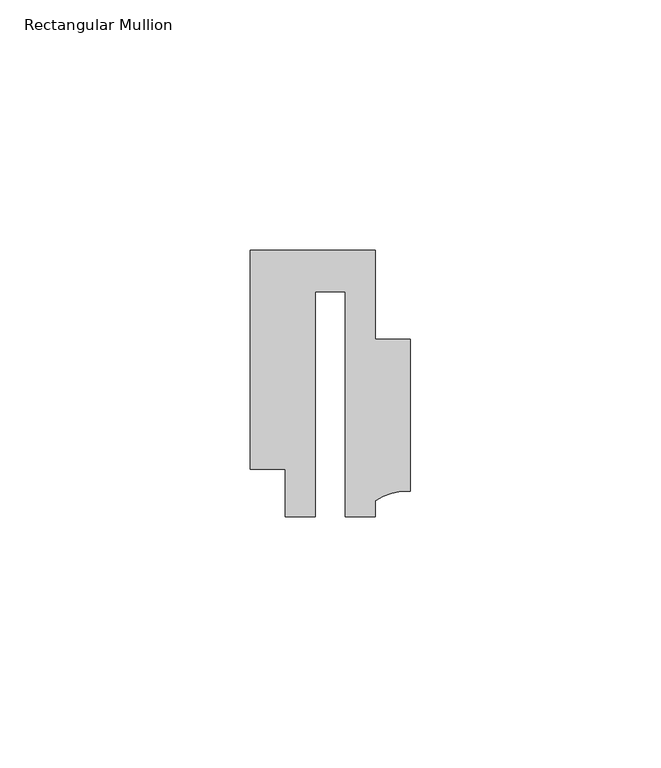
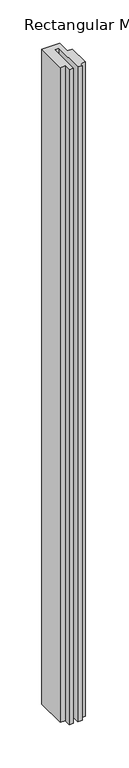
"""IFC4 building model written with IfcOpenShell, lengths in millimetres: member geometry, Rectangular Mullion."""

import ifcopenshell
import ifcopenshell.guid

model = None  # the IFC model being written
_history = None  # IfcOwnerHistory: only IFC2X3 demands one
_inside = {}  # id of a spatial element -> (the spatial element, [elements in it])
_under = {}  # id of a project, library or spatial element -> (it, [spatial elements below it])
_declared = {}  # id of a project -> (the project, [libraries it declares])
_typed = {}  # id of a type object -> (the type object, [elements of that type])
_made_of = {}  # id of a material, layer set ... -> (it, [elements and type objects made of it])


def new_model(schema):
    """Start an empty IFC model of exactly this schema.

    Asked for "IFC4X3", IfcOpenShell would pick the latest addendum, in which some entities
    have other attributes; the version numbers below select the first issue.
    IFC2X3 requires an IfcOwnerHistory on every rooted entity: one is made here for all.
    """
    global model, _history
    if schema == "IFC4X3":
        model = ifcopenshell.file(schema_version=(4, 3, 0, 0))
    else:
        model = ifcopenshell.file(schema=schema)
    _inside.clear()
    _under.clear()
    _declared.clear()
    _typed.clear()
    _made_of.clear()
    _history = None
    if model.schema == "IFC2X3":
        org = make("IfcOrganization", Name="unknown")
        user = make(
            "IfcPersonAndOrganization",
            ThePerson=make("IfcPerson", FamilyName="unknown"),
            TheOrganization=org,
        )
        app = make(
            "IfcApplication",
            ApplicationDeveloper=org,
            Version="unknown",
            ApplicationFullName="unknown",
            ApplicationIdentifier="unknown",
        )
        _history = make(
            "IfcOwnerHistory",
            OwningUser=user,
            OwningApplication=app,
            ChangeAction="ADDED",
            CreationDate=0,
        )
    return model


def make(cls, **values):
    """One entity of the class cls with the attributes given. An attribute that is None is left unset."""
    return model.create_entity(
        cls, **{name: value for name, value in values.items() if value is not None}
    )


def rooted(cls, **values):
    """An entity with a GlobalId (a new one), such as an element, a storey or a relation."""
    return make(cls, GlobalId=ifcopenshell.guid.new(), OwnerHistory=_history, **values)


def si_unit(unit_type, name, prefix=None):
    """IfcSIUnit, for example si_unit("LENGTHUNIT", "METRE", prefix="MILLI")."""
    return make("IfcSIUnit", UnitType=unit_type, Prefix=prefix, Name=name)


def assignment(units):
    """IfcUnitAssignment: the units of a project."""
    return None if units is None else make("IfcUnitAssignment", Units=units)


def point(xyz):
    """IfcCartesianPoint."""
    return None if xyz is None else make("IfcCartesianPoint", Coordinates=xyz)


def direction(xyz):
    """IfcDirection."""
    return None if xyz is None else make("IfcDirection", DirectionRatios=xyz)


def frame(location, z_axis=None, x_axis=None):
    """IfcAxis2Placement3D, a coordinate frame: its origin and axes. An axis left out is left unset."""
    return make(
        "IfcAxis2Placement3D",
        Location=point(location),
        Axis=direction(z_axis),
        RefDirection=direction(x_axis),
    )


def frame_2d(location, x_axis=None):
    """IfcAxis2Placement2D, a coordinate frame in the plane: its origin and x axis."""
    return make(
        "IfcAxis2Placement2D", Location=point(location), RefDirection=direction(x_axis)
    )


def origin():
    """The frame at (0, 0, 0) with its axes left unset."""
    return frame((0.0, 0.0, 0.0))


def place(relative_to, where):
    """IfcLocalPlacement: puts the frame where relative to a parent placement (None: the world)."""
    return make(
        "IfcLocalPlacement", PlacementRelTo=relative_to, RelativePlacement=where
    )


def context(
    kind, dimensions, precision=None, world=None, true_north=None, identifier=None
):
    """IfcGeometricRepresentationContext, for example the 3D "Model" context."""
    return make(
        "IfcGeometricRepresentationContext",
        ContextIdentifier=identifier,
        ContextType=kind,
        CoordinateSpaceDimension=dimensions,
        Precision=precision,
        WorldCoordinateSystem=world,
        TrueNorth=true_north,
    )


def project(units=None, contexts=None):
    """IfcProject with its units and contexts."""
    return rooted(
        "IfcProject",
        Name="project",
        RepresentationContexts=contexts,
        UnitsInContext=assignment(units),
    )


def spatial(cls, under=None, at=None, **own):
    """A site, building, storey or space (cls), placed at a placement, below another one or the project."""
    s = rooted(cls, ObjectPlacement=at, **own)
    if under is not None:
        _under.setdefault(under.id(), (under, []))[1].append(s)
    return s


def polyline(points):
    """IfcPolyline through the points."""
    return make("IfcPolyline", Points=[point(p) for p in points])


def circle_curve(where, radius):
    """IfcCircle in the frame where."""
    return make("IfcCircle", Position=where, Radius=radius)


def trimmed(basis, trim1, trim2, sense, master):
    """IfcTrimmedCurve: the piece of a basis curve between two trims."""
    return make(
        "IfcTrimmedCurve",
        BasisCurve=basis,
        Trim1=trim1,
        Trim2=trim2,
        SenseAgreement=sense,
        MasterRepresentation=master,
    )


def segment(curve, same_sense, transition):
    """IfcCompositeCurveSegment."""
    return make(
        "IfcCompositeCurveSegment",
        Transition=transition,
        SameSense=same_sense,
        ParentCurve=curve,
    )


def composite_curve(segments, self_intersect=None):
    """IfcCompositeCurve: segments joined end to end."""
    return make("IfcCompositeCurve", Segments=segments, SelfIntersect=self_intersect)


def outline(outer, holes=None, kind="AREA"):
    """IfcArbitraryClosedProfileDef: a profile drawn as a closed curve; with holes, ...WithVoids."""
    if holes is None:
        return make("IfcArbitraryClosedProfileDef", ProfileType=kind, OuterCurve=outer)
    return make(
        "IfcArbitraryProfileDefWithVoids",
        ProfileType=kind,
        OuterCurve=outer,
        InnerCurves=holes,
    )


def extrude(swept, where, along, depth):
    """IfcExtrudedAreaSolid: the profile swept, set in the frame where, extruded along a direction by depth."""
    return make(
        "IfcExtrudedAreaSolid",
        SweptArea=swept,
        Position=where,
        ExtrudedDirection=direction(along),
        Depth=depth,
    )


def shape(context_of_items, identifier, shape_type, items):
    """IfcShapeRepresentation: the items that make up one representation, for example the "Body"."""
    return make(
        "IfcShapeRepresentation",
        ContextOfItems=context_of_items,
        RepresentationIdentifier=identifier,
        RepresentationType=shape_type,
        Items=items,
    )


def source(mapping_origin, context_of_items, identifier, shape_type, items):
    """IfcRepresentationMap: a shape defined once, which mapped items show again and again."""
    return make(
        "IfcRepresentationMap",
        MappingOrigin=mapping_origin,
        MappedRepresentation=shape(context_of_items, identifier, shape_type, items),
    )


def transform(
    local_origin,
    x_axis=None,
    y_axis=None,
    z_axis=None,
    scale=None,
    scale2=None,
    scale3=None,
    uniform=True,
):
    """IfcCartesianTransformationOperator3D, or its non-uniform kind. x_axis, y_axis, z_axis: its Axis1, 2, 3."""
    if uniform:
        return make(
            "IfcCartesianTransformationOperator3D",
            Axis1=direction(x_axis),
            Axis2=direction(y_axis),
            LocalOrigin=point(local_origin),
            Scale=scale,
            Axis3=direction(z_axis),
        )
    return make(
        "IfcCartesianTransformationOperator3DnonUniform",
        Axis1=direction(x_axis),
        Axis2=direction(y_axis),
        LocalOrigin=point(local_origin),
        Scale=scale,
        Axis3=direction(z_axis),
        Scale2=scale2,
        Scale3=scale3,
    )


def mapped(mapping_source, mapping_target):
    """IfcMappedItem: shows the shape of a source again, moved by a transform."""
    return make(
        "IfcMappedItem", MappingSource=mapping_source, MappingTarget=mapping_target
    )


def made_of(thing, what):
    """Note that an element or type object is made of a material, layer set ...; save() writes the relation."""
    if what is not None:
        _made_of.setdefault(what.id(), (what, []))[1].append(thing)
    return thing


def element(
    cls,
    number,
    at=None,
    inside=None,
    cuts=None,
    type_object=None,
    material=None,
    context=None,
    identifier="Body",
    shape_type=None,
    held_by="IfcProductDefinitionShape",
    body=None,
    shapes=None,
    **own,
):
    """One element of the class cls, such as IfcWall. Its Tag is "e" and its number.

    at: its placement. inside: the storey or other place that contains it. cuts: it is an
    opening in that element (IfcRelVoidsElement). A single representation is given by context,
    identifier, shape_type and body (its items); several are given by shapes. held_by: the class
    of the entity that holds the representations. save() writes the other relations.
    """
    e = rooted(cls, Tag="e%d" % number, ObjectPlacement=at, **own)
    if body is not None:
        shapes = [shape(context, identifier, shape_type, body)]
    if shapes is not None:
        e.Representation = make(held_by, Representations=shapes)
    if inside is not None:
        _inside.setdefault(inside.id(), (inside, []))[1].append(e)
    if cuts is not None:
        rooted(
            "IfcRelVoidsElement", RelatingBuildingElement=cuts, RelatedOpeningElement=e
        )
    if type_object is not None:
        _typed.setdefault(type_object.id(), (type_object, []))[1].append(e)
    return made_of(e, material)


def aggregate(whole, parts):
    """IfcRelAggregates: a whole, such as a stair, and the parts it consists of."""
    return rooted("IfcRelAggregates", RelatingObject=whole, RelatedObjects=parts)


def save(model, path):
    """Write the relations noted so far, then the file.

    IfcRelAggregates (storeys below a building ...), IfcRelContainedInSpatialStructure (elements
    in a storey), IfcRelDefinesByType, IfcRelAssociatesMaterial and IfcRelDeclares: one each for
    every whole, place, type object, material and project.
    """
    for whole, parts in _under.values():
        aggregate(whole, parts)
    for where, things in _inside.values():
        rooted(
            "IfcRelContainedInSpatialStructure",
            RelatedElements=things,
            RelatingStructure=where,
        )
    for kind, things in _typed.values():
        rooted("IfcRelDefinesByType", RelatedObjects=things, RelatingType=kind)
    for what, things in _made_of.values():
        rooted("IfcRelAssociatesMaterial", RelatedObjects=things, RelatingMaterial=what)
    for by, libraries in _declared.values():
        rooted("IfcRelDeclares", RelatingContext=by, RelatedDefinitions=libraries)
    model.write(path)


def rectangular_mullion_92da3cc0(model_context):
    return source(origin(), model_context, "Body", "SweptSolid", [
        extrude(outline(composite_curve([segment(polyline([(15.9999391, 14.9953356), (15.9999391, -15.3837352)]), True, "CONTINUOUS"), segment(trimmed(circle_curve(frame_2d((15.1098019, -25.802169)), 10.4563907), [point((15.9999391, -15.3837352))], [point((8.9999842, -17.3165203))], True, "CARTESIAN"), True, "CONTINUOUS"), segment(polyline([(8.9999842, -17.3165203), (8.9999842, -20.5039877), (2.9999676, -20.5039877), (2.9999676, 24.5130805), (-2.9999659, 24.5130805), (-2.9999659, -20.5039877), (-8.9999842, -20.5039877), (-8.9999842, -11.0039877), (-15.9999391, -11.0039877), (-15.9999391, 32.7960123), (9.0, 32.7960123), (9.0, 14.9953356), (15.9999391, 14.9953356)]), True, "CONTINUOUS")], self_intersect=False)), frame((0.0, 0.0, -956.8198634), z_axis=(0.0, 0.0, 1.0), x_axis=(1.0, 0.0, 0.0)), (0.0, 0.0, 1.0), 956.8198634),
    ])


if __name__ == "__main__":
    model = new_model("IFC4")
    model_context = context("Model", 3, world=origin())
    ifc_project = project(units=[si_unit("LENGTHUNIT", "METRE", prefix="MILLI")], contexts=[model_context])
    site = spatial("IfcSite", under=ifc_project)
    building = spatial("IfcBuilding", under=site)
    placement = place(None, origin())
    rectangular_mullion_shape = rectangular_mullion_92da3cc0(model_context)
    element("IfcMember", 1, ObjectType="Rectangular Mullion", at=placement, inside=building, context=model_context, shape_type="MappedRepresentation", body=[
        mapped(rectangular_mullion_shape, transform((0.0, 0.0, 0.0), x_axis=(1.0, 0.0, 0.0), y_axis=(0.0, 1.0, 0.0), z_axis=(0.0, 0.0, 1.0))),
    ])
    save(model, "model.ifc")
